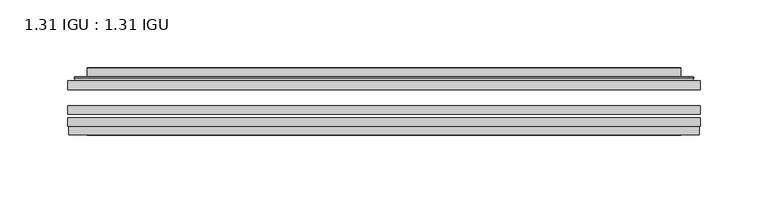
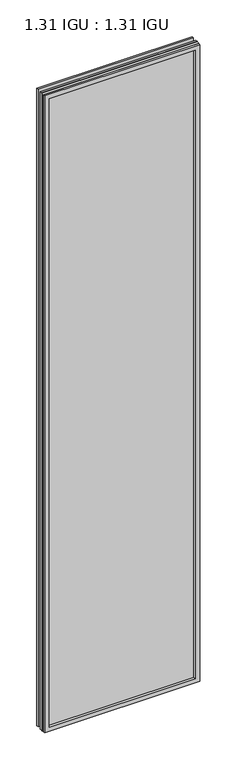
"""IFC4 building model written with IfcOpenShell, lengths in millimetres: plate geometry, 1.31 IGU : 1.31 IGU."""

from ifc_helpers import new_model, si_unit, frame, origin, place, context, project, spatial, polyline, ellipse_curve, outline, extrude, faceted_brep, source, transform, mapped, element, save
from ifc_brep_helpers import plane_surface, cylinder_surface, advanced_brep


def plate_1_31_igu_1_31_igu_fbdd09c6(model_context):
    return source(origin(), model_context, "Body", "SolidModel", [
        extrude(outline(polyline([(233.376675, -63.59525), (233.376675, -69.94525), (-233.3625, -69.94525), (-233.3625, -63.59525), (233.376675, -63.59525)])), frame((0.0, 0.0, -14.2875), z_axis=(0.0, 0.0, 1.0), x_axis=(1.0, 0.0, 0.0)), (0.0, 0.0, 1.0), 2022.4787979),
        extrude(outline(polyline([(-233.3625, -78.58125), (-233.3625, -72.230745), (233.376675, -72.230745), (233.376675, -78.58125), (-233.3625, -78.58125)])), frame((0.0, 0.0, -14.2875), z_axis=(0.0, 0.0, 1.0), x_axis=(1.0, 0.0, 0.0)), (0.0, 0.0, 1.0), 2022.4787979),
        extrude(outline(polyline([(233.376675, -45.25645), (233.376675, -51.60645), (-233.3625, -51.60645), (-233.3625, -45.25645), (233.376675, -45.25645)])), frame((0.0, 0.0, -14.2875), z_axis=(0.0, 0.0, 1.0), x_axis=(1.0, 0.0, 0.0)), (0.0, 0.0, 1.0), 2022.4787979),
        faceted_brep([(-232.6623142, -84.93125, 2007.4873142), (-232.6623142, -78.58125, 2007.4873142), (-232.6623142, -78.58125, -13.5873142), (-232.6623142, -84.93125, -13.5873142), (232.6623142, -78.58125, -13.5873142), (232.6623142, -84.93125, -13.5873142), (232.6623142, -78.58125, 2007.4873142), (232.6623142, -84.93125, 2007.4873142), (-218.1772559, -78.58125, 0.8977441), (218.1772559, -78.58125, 0.8977441), (218.1772559, -78.58125, 1993.0022559), (-218.1772559, -78.58125, 1993.0022559), (-219.0696902, -84.93125, 1993.8946902), (219.0696902, -84.93125, 1993.8946902), (219.0696902, -84.93125, 0.0053098), (-219.0696902, -84.93125, 0.0053098)], [[[0, 1, 2, 3]], [[3, 2, 4, 5]], [[5, 4, 6, 7]], [[1, 6, 4, 2], [8, 9, 10, 11]], [[7, 6, 1, 0]], [[3, 5, 7, 0], [12, 13, 14, 15]], [[11, 12, 15, 8]], [[8, 15, 14, 9]], [[9, 14, 13, 10]], [[10, 13, 12, 11]]]),
        advanced_brep(
        [(-226.121219, -45.25645, 2000.946219), (-228.4754244, -43.2667833, 2003.3004244), (-228.4754244, -43.2667833, -9.4004244), (-226.121219, -45.25645, -7.046219), (-217.0468939, -41.416413, 1991.8718939), (-212.1120621, -45.25645, 1986.9370621), (-212.1120621, -45.25645, 6.9629379), (-217.0468939, -41.416413, 2.0281061), (-218.0789217, -36.0191819, 1992.9039217), (-218.0789217, -36.0191819, 0.9960783), (-219.0695784, -35.6202069, 1993.8945784), (-219.0695784, -35.6202069, 0.0054216), (-219.0695784, -42.08145, 1993.8945784), (-219.0695784, -42.08145, 0.0054216), (-227.4736349, -42.08145, 2002.2986349), (-227.4736349, -42.08145, -8.3986349), (228.4754244, -43.2667833, -9.4004244), (226.121219, -45.25645, -7.046219), (212.1120621, -45.25645, 6.9629379), (217.0468939, -41.416413, 2.0281061), (218.0789217, -36.0191819, 0.9960783), (219.0695784, -35.6202069, 0.0054216), (219.0695784, -42.08145, 0.0054216), (227.4736349, -42.08145, -8.3986349), (228.4754244, -43.2667833, 2003.3004244), (226.121219, -45.25645, 2000.946219), (212.1120621, -45.25645, 1986.9370621), (217.0468939, -41.416413, 1991.8718939), (218.0789217, -36.0191819, 1992.9039217), (219.0695784, -35.6202069, 1993.8945784), (219.0695784, -42.08145, 1993.8945784), (227.4736349, -42.08145, 2002.2986349)],
        [
            (0, 1, ellipse_curve(frame((-226.121219, -42.86885, 2000.946219), z_axis=(-0.7071067811865475, 0.0, -0.7071067811865475), x_axis=(-0.7071067811865474, 0.0, 0.7071067811865476)), 3.3765763, 2.3876)),
            (1, 2),
            (2, 3, ellipse_curve(frame((-226.121219, -42.86885, -7.046219), z_axis=(-0.7071067811865475, 0.0, 0.7071067811865475), x_axis=(0.7071067811865474, 0.0, 0.7071067811865476)), 3.3765763, 2.3876)),
            (3, 0),
            (4, 5),
            (5, 6),
            (6, 7),
            (7, 4),
            (8, 4),
            (7, 9),
            (9, 8),
            (10, 8, ellipse_curve(frame((-218.7026219, -36.1384423, 1993.5276219), z_axis=(-0.7071067811865475, 0.0, -0.7071067811865475), x_axis=(-0.7071067811865474, 0.0, 0.7071067811865476)), 0.8980256, 0.635)),
            (9, 11, ellipse_curve(frame((-218.7026219, -36.1384423, 0.3723781), z_axis=(-0.7071067811865475, 0.0, 0.7071067811865475), x_axis=(0.7071067811865474, 0.0, 0.7071067811865476)), 0.8980256, 0.635)),
            (11, 10),
            (12, 10),
            (11, 13),
            (13, 12),
            (1, 14, ellipse_curve(frame((-227.4736349, -43.09745, 2002.2986349), z_axis=(-0.7071067811865475, 0.0, -0.7071067811865475), x_axis=(-0.7071067811865474, 0.0, 0.7071067811865476)), 1.436841, 1.016)),
            (14, 15),
            (15, 2, ellipse_curve(frame((-227.4736349, -43.09745, -8.3986349), z_axis=(-0.7071067811865475, 0.0, 0.7071067811865475), x_axis=(0.7071067811865474, 0.0, 0.7071067811865476)), 1.436841, 1.016)),
            (2, 16),
            (16, 17, ellipse_curve(frame((226.121219, -42.86885, -7.046219), z_axis=(-0.7071067811865475, 0.0, -0.7071067811865475), x_axis=(-0.7071067811865476, 0.0, 0.7071067811865474)), 3.3765763, 2.3876)),
            (17, 3),
            (6, 18),
            (18, 19),
            (19, 7),
            (19, 20),
            (20, 9),
            (20, 21, ellipse_curve(frame((218.7026219, -36.1384423, 0.3723781), z_axis=(-0.7071067811865475, 0.0, -0.7071067811865475), x_axis=(-0.7071067811865476, 0.0, 0.7071067811865474)), 0.8980256, 0.635)),
            (21, 11),
            (21, 22),
            (22, 13),
            (15, 23),
            (23, 16, ellipse_curve(frame((227.4736349, -43.09745, -8.3986349), z_axis=(-0.7071067811865475, 0.0, -0.7071067811865475), x_axis=(-0.7071067811865476, 0.0, 0.7071067811865474)), 1.436841, 1.016)),
            (16, 24),
            (24, 25, ellipse_curve(frame((226.121219, -42.86885, 2000.946219), z_axis=(0.7071067811865475, 0.0, -0.7071067811865475), x_axis=(-0.7071067811865474, 0.0, -0.7071067811865476)), 3.3765763, 2.3876)),
            (25, 17),
            (18, 26),
            (26, 27),
            (27, 19),
            (27, 28),
            (28, 20),
            (28, 29, ellipse_curve(frame((218.7026219, -36.1384423, 1993.5276219), z_axis=(0.7071067811865475, 0.0, -0.7071067811865475), x_axis=(-0.7071067811865474, 0.0, -0.7071067811865476)), 0.8980256, 0.635)),
            (29, 21),
            (29, 30),
            (30, 22),
            (23, 31),
            (31, 24, ellipse_curve(frame((227.4736349, -43.09745, 2002.2986349), z_axis=(0.7071067811865475, 0.0, -0.7071067811865475), x_axis=(-0.7071067811865474, 0.0, -0.7071067811865476)), 1.436841, 1.016)),
            (24, 1),
            (0, 25),
            (5, 26),
            (4, 27),
            (8, 28),
            (10, 29),
            (12, 30),
            (14, 31),
        ],
        [
            cylinder_surface(frame((-226.121219, -42.86885, 2025.65), z_axis=(0.0, 0.0, 1.0), x_axis=(-1.0, 0.0, 0.0)), 2.3876),
            plane_surface(frame((-212.1120621, -45.25645, 1986.9370621), z_axis=(0.6141233906514794, 0.7892100234124821, 0.0), x_axis=(0.0, 0.0, -1.0))),
            plane_surface(frame((-217.0468939, -41.416413, 1991.8718939), z_axis=(0.9822050625507729, 0.18781164793386074, 0.0), x_axis=(0.0, 0.0, -1.0))),
            cylinder_surface(frame((-218.7026219, -36.1384423, 2025.65), z_axis=(0.0, 0.0, 1.0), x_axis=(-1.0, 0.0, 0.0)), 0.635),
            plane_surface(frame((-219.0695784, -35.6202069, 1993.8945784), z_axis=(-1.0, 0.0, 0.0), x_axis=(0.0, 0.0, -1.0))),
            cylinder_surface(frame((-227.4736349, -43.09745, 2025.65), z_axis=(0.0, 0.0, 1.0), x_axis=(-1.0, 0.0, 0.0)), 1.016),
            cylinder_surface(frame((-250.825, -42.86885, -7.046219), z_axis=(-1.0, 0.0, 0.0), x_axis=(0.0, 0.0, -1.0)), 2.3876),
            plane_surface(frame((-212.1120621, -45.25645, 6.9629379), z_axis=(0.0, 0.7892100234124841, 0.6141233906514768), x_axis=(1.0, 0.0, 0.0))),
            plane_surface(frame((-217.0468939, -41.416413, 2.0281061), z_axis=(0.0, 0.18781164793386393, 0.9822050625507723), x_axis=(1.0, 0.0, 0.0))),
            cylinder_surface(frame((-250.825, -36.1384423, 0.3723781), z_axis=(-1.0, 0.0, 0.0), x_axis=(0.0, 0.0, -1.0)), 0.635),
            plane_surface(frame((-219.0695784, -35.6202069, 0.0054216), z_axis=(0.0, 0.0, -1.0), x_axis=(1.0, 0.0, 0.0))),
            cylinder_surface(frame((-250.825, -43.09745, -8.3986349), z_axis=(-1.0, 0.0, 0.0), x_axis=(0.0, 0.0, -1.0)), 1.016),
            cylinder_surface(frame((226.121219, -42.86885, -31.75), z_axis=(0.0, 0.0, -1.0), x_axis=(1.0, 0.0, 0.0)), 2.3876),
            plane_surface(frame((212.1120621, -45.25645, 6.9629379), z_axis=(-0.6141233906514743, 0.7892100234124861, 0.0), x_axis=(0.0, 0.0, 1.0))),
            plane_surface(frame((217.0468939, -41.416413, 2.0281061), z_axis=(-0.9822050625507718, 0.18781164793386712, 0.0), x_axis=(0.0, 0.0, 1.0))),
            cylinder_surface(frame((218.7026219, -36.1384423, -31.75), z_axis=(0.0, 0.0, -1.0), x_axis=(1.0, 0.0, 0.0)), 0.635),
            plane_surface(frame((219.0695784, -35.6202069, 0.0054216), z_axis=(1.0, 0.0, 0.0), x_axis=(0.0, 0.0, 1.0))),
            cylinder_surface(frame((227.4736349, -43.09745, -31.75), z_axis=(0.0, 0.0, -1.0), x_axis=(1.0, 0.0, 0.0)), 1.016),
            cylinder_surface(frame((250.825, -42.86885, 2000.946219), z_axis=(1.0, 0.0, 0.0), x_axis=(0.0, 0.0, 1.0)), 2.3876),
            plane_surface(frame((226.121219, -45.25645, 2000.946219), z_axis=(0.0, -1.0, 0.0), x_axis=(-1.0, 0.0, 0.0))),
            plane_surface(frame((212.1120621, -45.25645, 1986.9370621), z_axis=(0.0, 0.7892100234124841, -0.6141233906514768), x_axis=(-1.0, 0.0, 0.0))),
            plane_surface(frame((217.0468939, -41.416413, 1991.8718939), z_axis=(0.0, 0.18781164793386393, -0.9822050625507723), x_axis=(-1.0, 0.0, 0.0))),
            cylinder_surface(frame((250.825, -36.1384423, 1993.5276219), z_axis=(1.0, 0.0, 0.0), x_axis=(0.0, 0.0, 1.0)), 0.635),
            plane_surface(frame((219.0695784, -35.6202069, 1993.8945784), z_axis=(0.0, 0.0, 1.0), x_axis=(-1.0, 0.0, 0.0))),
            plane_surface(frame((219.0695784, -42.08145, 1993.8945784), z_axis=(0.0, 1.0, 0.0), x_axis=(-1.0, 0.0, 0.0))),
            cylinder_surface(frame((250.825, -43.09745, 2002.2986349), z_axis=(1.0, 0.0, 0.0), x_axis=(0.0, 0.0, 1.0)), 1.016),
        ],
        [
            (0, [[1, 2, 3, 4]]),
            (1, [[5, 6, 7, 8]]),
            (2, [[9, -8, 10, 11]]),
            (3, [[12, -11, 13, 14]]),
            (4, [[15, -14, 16, 17]]),
            (5, [[18, 19, 20, -2]]),
            (6, [[-3, 21, 22, 23]]),
            (7, [[-7, 24, 25, 26]]),
            (8, [[-10, -26, 27, 28]]),
            (9, [[-13, -28, 29, 30]]),
            (10, [[-16, -30, 31, 32]]),
            (11, [[-20, 33, 34, -21]]),
            (12, [[-22, 35, 36, 37]]),
            (13, [[-25, 38, 39, 40]]),
            (14, [[-27, -40, 41, 42]]),
            (15, [[-29, -42, 43, 44]]),
            (16, [[-31, -44, 45, 46]]),
            (17, [[-34, 47, 48, -35]]),
            (18, [[-36, 49, -1, 50]]),
            (19, [[-23, -37, -50, -4], [51, -38, -24, -6]]),
            (20, [[-39, -51, -5, 52]]),
            (21, [[-41, -52, -9, 53]]),
            (22, [[-43, -53, -12, 54]]),
            (23, [[-45, -54, -15, 55]]),
            (24, [[56, -47, -33, -19], [-32, -46, -55, -17]]),
            (25, [[-48, -56, -18, -49]]),
        ],
    ),
    ])


if __name__ == "__main__":
    model = new_model("IFC4")
    model_context = context("Model", 3, world=origin())
    ifc_project = project(units=[si_unit("LENGTHUNIT", "METRE", prefix="MILLI")], contexts=[model_context])
    site = spatial("IfcSite", under=ifc_project)
    building = spatial("IfcBuilding", under=site)
    placement = place(None, origin())
    plate_1_31_igu_1_31_igu_shape = plate_1_31_igu_1_31_igu_fbdd09c6(model_context)
    element("IfcPlate", 1, ObjectType="1.31 IGU : 1.31 IGU", at=placement, inside=building, context=model_context, shape_type="MappedRepresentation", body=[
        mapped(plate_1_31_igu_1_31_igu_shape, transform((0.0, 0.0, 0.0), x_axis=(1.0, 0.0, 0.0), y_axis=(0.0, 1.0, 0.0), z_axis=(0.0, 0.0, 1.0))),
    ])
    save(model, "model.ifc")
